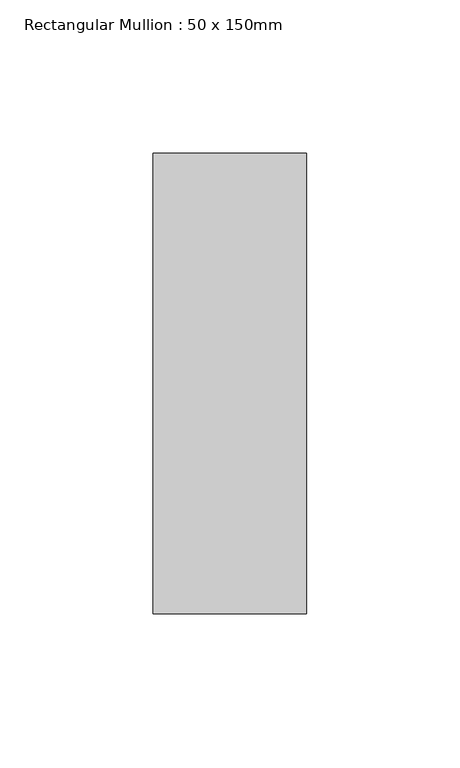
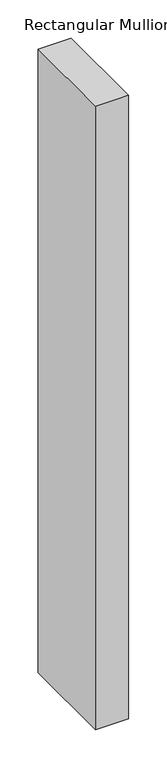
"""IFC4 building model written with IfcOpenShell, lengths in millimetres: member geometry, Rectangular Mullion : 50 x 150mm."""

from ifc_helpers import new_model, si_unit, frame, origin, place, context, project, spatial, polyline, outline, extrude, source, transform, mapped, element, save


def rectangular_mullion_50_x_150mm_85018dff(model_context):
    return source(origin(), model_context, "Body", "SweptSolid", [
        extrude(outline(polyline([(25.0, 75.0), (25.0, -75.0), (-25.0, -75.0), (-25.0, 75.0), (25.0, 75.0)])), frame((0.0, 0.0, -993.3333333), z_axis=(0.0, 0.0, 1.0), x_axis=(1.0, 0.0, 0.0)), (0.0, 0.0, 1.0), 993.3333333),
    ])


if __name__ == "__main__":
    model = new_model("IFC4")
    model_context = context("Model", 3, world=origin())
    ifc_project = project(units=[si_unit("LENGTHUNIT", "METRE", prefix="MILLI")], contexts=[model_context])
    site = spatial("IfcSite", under=ifc_project)
    building = spatial("IfcBuilding", under=site)
    placement = place(None, origin())
    rectangular_mullion_50_x_150mm_shape = rectangular_mullion_50_x_150mm_85018dff(model_context)
    element("IfcMember", 1, ObjectType="Rectangular Mullion : 50 x 150mm", at=placement, inside=building, context=model_context, shape_type="MappedRepresentation", body=[
        mapped(rectangular_mullion_50_x_150mm_shape, transform((0.0, 0.0, 0.0), x_axis=(1.0, 0.0, 0.0), y_axis=(0.0, 1.0, 0.0), z_axis=(0.0, 0.0, 1.0))),
    ])
    save(model, "model.ifc")
